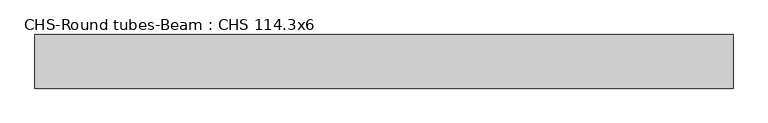
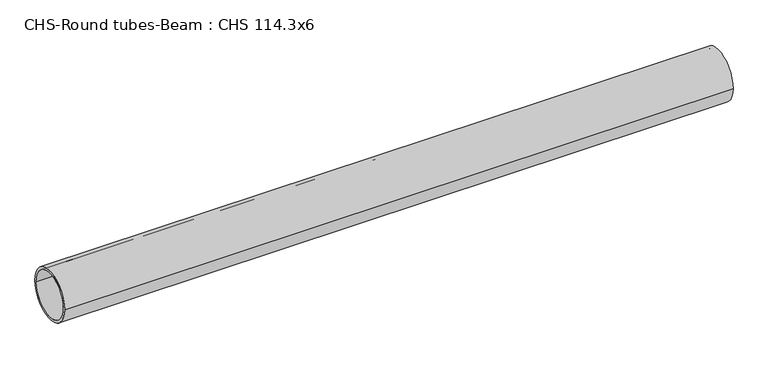
"""IFC4 building model written with IfcOpenShell, lengths in millimetres: beam geometry, CHS-Round tubes-Beam : CHS 114.3x6."""

from ifc_helpers import new_model, si_unit, point, frame, origin, origin_2d, place, context, project, spatial, circle_curve, trimmed, segment, composite_curve, outline, extrude, source, transform, mapped, element, save


def chs_round_tubes_beam_chs_114_3x6_5ff1045c(model_context):
    return source(origin(), model_context, "Body", "SweptSolid", [
        extrude(outline(composite_curve([segment(trimmed(circle_curve(origin_2d(), 57.15), [point((57.15, 0.0))], [point((-57.15, 0.0))], False, "CARTESIAN"), True, "CONTINUOUS"), segment(trimmed(circle_curve(origin_2d(), 57.15), [point((-57.15, 0.0))], [point((57.15, 0.0))], False, "CARTESIAN"), True, "CONTINUOUS")], self_intersect=False), holes=[composite_curve([segment(trimmed(circle_curve(origin_2d(), 51.15), [point((51.15, 0.0))], [point((-51.15, 0.0))], True, "CARTESIAN"), True, "CONTINUOUS"), segment(trimmed(circle_curve(origin_2d(), 51.15), [point((-51.15, 0.0))], [point((51.15, 0.0))], True, "CARTESIAN"), True, "CONTINUOUS")], self_intersect=False)]), frame((-806.4781205, 0.0, 0.0), z_axis=(1.0, 0.0, 0.0), x_axis=(0.0, 1.0, 0.0)), (0.0, 0.0, 1.0), 1488.7975796),
    ])


if __name__ == "__main__":
    model = new_model("IFC4")
    model_context = context("Model", 3, world=origin())
    ifc_project = project(units=[si_unit("LENGTHUNIT", "METRE", prefix="MILLI")], contexts=[model_context])
    site = spatial("IfcSite", under=ifc_project)
    building = spatial("IfcBuilding", under=site)
    placement = place(None, origin())
    chs_round_tubes_beam_chs_114_3x6_shape = chs_round_tubes_beam_chs_114_3x6_5ff1045c(model_context)
    element("IfcBeam", 1, ObjectType="CHS-Round tubes-Beam : CHS 114.3x6", at=placement, inside=building, context=model_context, shape_type="MappedRepresentation", body=[
        mapped(chs_round_tubes_beam_chs_114_3x6_shape, transform((0.0, 0.0, 0.0), x_axis=(1.0, 0.0, 0.0), y_axis=(0.0, 1.0, 0.0), z_axis=(0.0, 0.0, 1.0))),
    ])
    save(model, "model.ifc")
